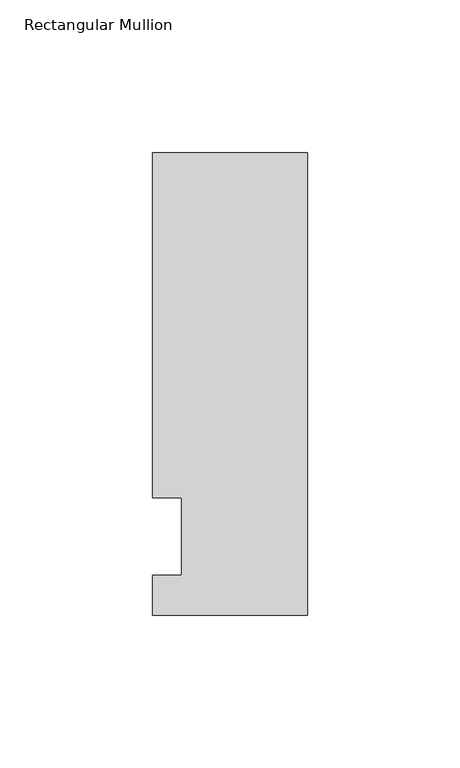
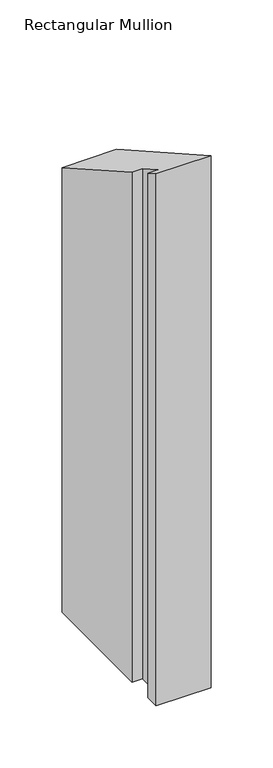
"""IFC4 building model written with IfcOpenShell, lengths in millimetres: member geometry, Rectangular Mullion."""

from ifc_helpers import new_model, si_unit, origin, place, context, project, spatial, faceted_brep, source, transform, mapped, element, save


def rectangular_mullion_f9522ed3(model_context):
    return source(origin(), model_context, "Body", "Brep", [
        faceted_brep([(-50.8, -25.7961253, -508.0), (-50.8, -12.7, -508.0), (-41.275, -12.7, -508.0), (-41.275, 12.7, -508.0), (-50.8, 12.7, -508.0), (-50.8, 125.8036906, -508.0), (0.0, 125.8036906, -508.0), (0.0, -25.7961253, -508.0), (0.0, -25.7961253, 14.5947455), (-50.8, -25.7961253, 14.5947455), (0.0, 125.8036906, -71.1763035), (-50.8, 125.8036906, -71.1763035), (-50.8, 12.7, -7.1853143), (-41.275, 12.7, -7.1853143), (-41.275, -12.7, 7.1853143), (-50.8, -12.7, 7.1853143)], [[[0, 1, 2, 3, 4, 5, 6, 7]], [[8, 9, 0, 7]], [[10, 8, 7, 6]], [[11, 10, 6, 5]], [[12, 11, 5, 4]], [[13, 12, 4, 3]], [[14, 13, 3, 2]], [[15, 14, 2, 1]], [[9, 15, 1, 0]], [[9, 8, 10, 11, 12, 13, 14, 15]]]),
    ])


if __name__ == "__main__":
    model = new_model("IFC4")
    model_context = context("Model", 3, world=origin())
    ifc_project = project(units=[si_unit("LENGTHUNIT", "METRE", prefix="MILLI")], contexts=[model_context])
    site = spatial("IfcSite", under=ifc_project)
    building = spatial("IfcBuilding", under=site)
    placement = place(None, origin())
    rectangular_mullion_shape = rectangular_mullion_f9522ed3(model_context)
    element("IfcMember", 1, ObjectType="Rectangular Mullion", at=placement, inside=building, context=model_context, shape_type="MappedRepresentation", body=[
        mapped(rectangular_mullion_shape, transform((0.0, 0.0, 0.0), x_axis=(1.0, 0.0, 0.0), y_axis=(0.0, 1.0, 0.0), z_axis=(0.0, 0.0, 1.0))),
    ])
    save(model, "model.ifc")
